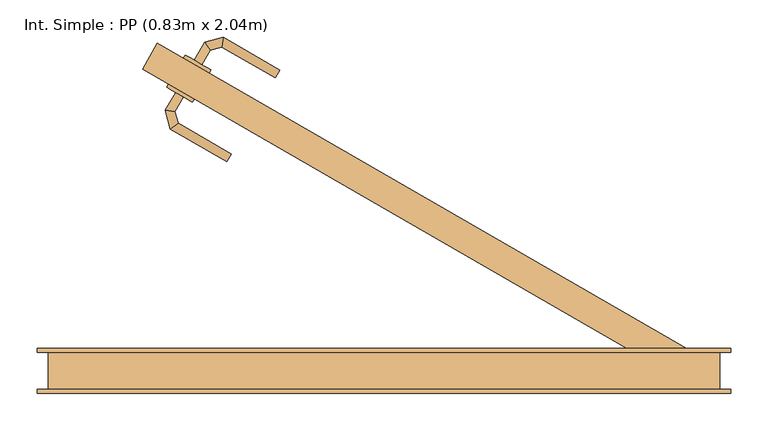
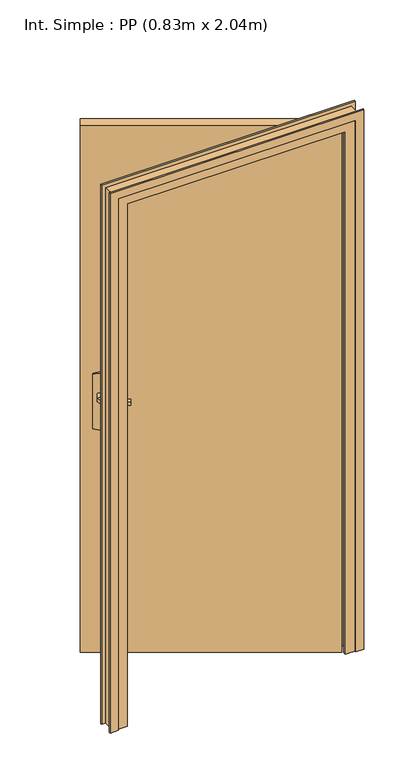
"""IFC4 building model written with IfcOpenShell, lengths in millimetres: door geometry, Int. Simple : PP (0.83m x 2.04m)."""

from ifc_helpers import new_model, si_unit, point, frame, frame_2d, origin, origin_with_axes, place, context, project, spatial, polyline, circle_curve, ellipse_curve, trimmed, segment, composite_curve, outline, extrude, faceted_brep, source, transform, mapped, element, save
from ifc_brep_helpers import plane_surface, cylinder_surface, advanced_brep


def int_simple_pp_0_83m_x_2_04m_fe77d8a1(model_context):
    return source(origin(), model_context, "Body", "SolidModel", [
        extrude(outline(composite_curve([segment(trimmed(circle_curve(frame_2d((0.0, 40.0)), 40.0), [point((34.6410162, 60.0))], [point((34.6410162, 19.9999999))], False, "CARTESIAN"), True, "CONTINUOUS"), segment(polyline([(34.6410162, 19.9999999), (-175.3589838, 19.9999999)]), True, "CONTINUOUS"), segment(trimmed(circle_curve(frame_2d((-140.7179676, 40.0)), 40.0), [point((-175.3589838, 19.9999999))], [point((-175.3589838, 60.0))], False, "CARTESIAN"), True, "CONTINUOUS"), segment(polyline([(-175.3589838, 60.0), (34.6410162, 60.0)]), True, "CONTINUOUS")], self_intersect=False)), frame((-252.1985448, 390.0, 904.6410162), z_axis=(0.5, 0.8660254037844387, 0.0), x_axis=(0.0, 0.0, -1.0)), (0.0, 0.0, 1.0), 5.0),
        extrude(outline(composite_curve([segment(trimmed(circle_curve(frame_2d((0.0, 40.0)), 40.0), [point((-34.6410162, 19.9999999))], [point((-34.6410162, 60.0))], False, "CARTESIAN"), True, "CONTINUOUS"), segment(polyline([(-34.6410162, 60.0), (175.3589838, 60.0)]), True, "CONTINUOUS"), segment(trimmed(circle_curve(frame_2d((140.7179676, 40.0)), 40.0), [point((175.3589838, 60.0))], [point((175.3589838, 19.9999999))], False, "CARTESIAN"), True, "CONTINUOUS"), segment(polyline([(175.3589838, 19.9999999), (-34.6410162, 19.9999999)]), True, "CONTINUOUS")], self_intersect=False)), frame((-274.6985448, 351.0288568, 1045.3589838), z_axis=(0.5, 0.8660254037844387, 0.0), x_axis=(0.0, 0.0, -1.0)), (0.0, 0.0, 1.0), 5.0),
        advanced_brep(
        [(-289.5357133, 417.330127, 1007.0), (-289.5357133, 417.330127, 993.0), (-279.1434085, 411.330127, 993.0), (-279.1434085, 411.330127, 1007.0), (-267.8032145, 430.9719192, 1007.0), (-275.710238, 441.2765528, 1007.0), (-267.8032145, 430.9719192, 993.0), (-275.710238, 441.2765528, 993.0), (-252.3018687, 435.1254922, 1007.0), (-250.6065023, 448.0030785, 1007.0), (-252.3018687, 435.1254922, 993.0), (-250.6065023, 448.0030785, 993.0), (-174.706797, 404.1823632, 1007.0), (-180.706797, 393.7900583, 1007.0), (-180.706797, 393.7900583, 993.0), (-174.706797, 404.1823632, 993.0)],
        [
            (0, 1),
            (1, 2, circle_curve(frame((-284.3395609, 414.330127, 1013.0457722), z_axis=(-0.5000000000000028, -0.866025403784437, 0.0), x_axis=(0.866025403784437, -0.5000000000000028, 0.0)), 20.9244589)),
            (2, 3),
            (3, 0, circle_curve(frame((-284.3395609, 414.330127, 986.9542278), z_axis=(-0.5000000000000028, -0.866025403784437, 0.0), x_axis=(0.866025403784437, -0.5000000000000028, 0.0)), 20.9244589)),
            (3, 4),
            (4, 5, ellipse_curve(frame((-271.7567263, 436.124236, 986.9542278), z_axis=(-0.7933533402912499, -0.6087614290087013, 0.0), x_axis=(0.6087614290087014, -0.7933533402912498, 0.0)), 22.6484711, 20.9244589)),
            (5, 0),
            (2, 6),
            (6, 4),
            (1, 7),
            (7, 6, ellipse_curve(frame((-271.7567263, 436.124236, 1013.0457722), z_axis=(-0.7933533402912499, -0.6087614290087013, 0.0), x_axis=(0.6087614290087014, -0.7933533402912498, 0.0)), 22.6484711, 20.9244589)),
            (5, 7),
            (4, 8),
            (8, 9, ellipse_curve(frame((-251.4541855, 441.5642854, 986.9542278), z_axis=(-0.9914448613738073, 0.13052619222007575, 0.0), x_axis=(-0.13052619222007555, -0.9914448613738074, 0.0)), 22.6484711, 20.9244589)),
            (9, 5),
            (6, 10),
            (10, 8),
            (7, 11),
            (11, 10, ellipse_curve(frame((-251.4541855, 441.5642854, 1013.0457722), z_axis=(-0.9914448613738073, 0.13052619222007575, 0.0), x_axis=(-0.13052619222007555, -0.9914448613738074, 0.0)), 22.6484711, 20.9244589)),
            (9, 11),
            (12, 13, circle_curve(frame((-177.706797, 398.9862107, 986.9542278), z_axis=(0.8660254037844369, -0.500000000000003, 0.0), x_axis=(-0.500000000000003, -0.8660254037844369, 0.0)), 20.9244589)),
            (13, 14),
            (14, 15, circle_curve(frame((-177.706797, 398.9862107, 1013.0457722), z_axis=(0.8660254037844369, -0.500000000000003, 0.0), x_axis=(-0.500000000000003, -0.8660254037844369, 0.0)), 20.9244589)),
            (15, 12),
            (8, 13),
            (12, 9),
            (10, 14),
            (11, 15),
        ],
        [
            plane_surface(frame((-292.3239206, 418.9398992, 1000.0), z_axis=(-0.5000000000000028, -0.866025403784437, 0.0), x_axis=(0.0, 0.0, -1.0))),
            cylinder_surface(frame((-284.3395609, 414.330127, 986.9542278), z_axis=(-0.5000000000000028, -0.866025403784437, 0.0), x_axis=(0.866025403784437, -0.5000000000000028, 0.0)), 20.9244589),
            plane_surface(frame((-279.1434085, 411.330127, 1007.0), z_axis=(0.866025403784437, -0.5000000000000028, 0.0), x_axis=(0.5000000000000028, 0.866025403784437, 0.0))),
            cylinder_surface(frame((-284.3395609, 414.330127, 1013.0457722), z_axis=(-0.5000000000000028, -0.866025403784437, 0.0), x_axis=(0.866025403784437, -0.5000000000000028, 0.0)), 20.9244589),
            plane_surface(frame((-289.5357133, 417.330127, 993.0), z_axis=(-0.866025403784437, 0.5000000000000028, 0.0), x_axis=(0.5000000000000028, 0.866025403784437, 0.0))),
            cylinder_surface(frame((-271.7567263, 436.124236, 986.9542278), z_axis=(-0.96592582628908, -0.25881904510247705, 0.0), x_axis=(0.25881904510247705, -0.96592582628908, 0.0)), 20.9244589),
            plane_surface(frame((-267.8032145, 430.9719192, 1007.0), z_axis=(0.258819045102477, -0.96592582628908, 0.0), x_axis=(0.96592582628908, 0.258819045102477, 0.0))),
            cylinder_surface(frame((-271.7567263, 436.124236, 1013.0457722), z_axis=(-0.96592582628908, -0.25881904510247705, 0.0), x_axis=(0.25881904510247705, -0.96592582628908, 0.0)), 20.9244589),
            plane_surface(frame((-275.710238, 441.2765528, 993.0), z_axis=(-0.258819045102477, 0.96592582628908, 0.0), x_axis=(0.96592582628908, 0.258819045102477, 0.0))),
            plane_surface(frame((-177.706797, 398.9862107, 990.7804555), z_axis=(0.866025403784437, -0.5000000000000028, 0.0), x_axis=(-0.5000000000000028, -0.866025403784437, 0.0))),
            cylinder_surface(frame((-251.4541855, 441.5642854, 986.9542278), z_axis=(-0.8660254037844369, 0.500000000000003, 0.0), x_axis=(-0.500000000000003, -0.8660254037844369, 0.0)), 20.9244589),
            plane_surface(frame((-252.3018687, 435.1254922, 1007.0), z_axis=(-0.5000000000000028, -0.866025403784437, 0.0), x_axis=(0.866025403784437, -0.5000000000000028, 0.0))),
            cylinder_surface(frame((-251.4541855, 441.5642854, 1013.0457722), z_axis=(-0.8660254037844369, 0.500000000000003, 0.0), x_axis=(-0.500000000000003, -0.8660254037844369, 0.0)), 20.9244589),
            plane_surface(frame((-250.6065023, 448.0030785, 993.0), z_axis=(0.5000000000000028, 0.866025403784437, 0.0), x_axis=(0.866025403784437, -0.5000000000000028, 0.0))),
        ],
        [
            (0, [[1, 2, 3, 4]]),
            (1, [[5, 6, 7, -4]]),
            (2, [[8, 9, -5, -3]]),
            (3, [[10, 11, -8, -2]]),
            (4, [[-7, 12, -10, -1]]),
            (5, [[13, 14, 15, -6]]),
            (6, [[16, 17, -13, -9]]),
            (7, [[18, 19, -16, -11]]),
            (8, [[-15, 20, -18, -12]]),
            (9, [[21, 22, 23, 24]]),
            (10, [[25, -21, 26, -14]]),
            (11, [[27, -22, -25, -17]]),
            (12, [[28, -23, -27, -19]]),
            (13, [[-26, -24, -28, -20]]),
        ],
    ),
        advanced_brep(
        [(-304.1434085, 368.0288568, 993.0), (-314.5357133, 374.0288568, 993.0), (-314.5357133, 374.0288568, 1007.0), (-304.1434085, 368.0288568, 1007.0), (-315.3860107, 348.5560985, 1007.0), (-315.3860107, 348.5560985, 993.0), (-328.263597, 350.2514649, 1007.0), (-328.263597, 350.2514649, 993.0), (-311.182106, 332.8669124, 1007.0), (-311.182106, 332.8669124, 993.0), (-321.4867396, 324.9598889, 1007.0), (-321.4867396, 324.9598889, 993.0), (-239.6826137, 291.5866612, 993.0), (-239.6826137, 291.5866612, 1007.0), (-245.6826137, 281.1943564, 1007.0), (-245.6826137, 281.1943564, 993.0)],
        [
            (0, 1, circle_curve(frame((-309.3395609, 371.0288568, 1013.0457722), z_axis=(0.5000000000000028, 0.866025403784437, 0.0), x_axis=(-0.866025403784437, 0.5000000000000028, 0.0)), 20.9244589)),
            (1, 2),
            (2, 3, circle_curve(frame((-309.3395609, 371.0288568, 986.9542278), z_axis=(0.5000000000000028, 0.866025403784437, 0.0), x_axis=(-0.866025403784437, 0.5000000000000028, 0.0)), 20.9244589)),
            (3, 0),
            (3, 4),
            (4, 5),
            (5, 0),
            (2, 6),
            (6, 4, ellipse_curve(frame((-321.8248039, 349.4037817, 986.9542278), z_axis=(0.13052619222003425, 0.9914448613738126, 0.0), x_axis=(0.9914448613738128, -0.13052619222003373, 0.0)), 22.6484711, 20.9244589)),
            (1, 7),
            (7, 6),
            (5, 7, ellipse_curve(frame((-321.8248039, 349.4037817, 1013.0457722), z_axis=(0.13052619222003425, 0.9914448613738126, 0.0), x_axis=(0.9914448613738128, -0.13052619222003373, 0.0)), 22.6484711, 20.9244589)),
            (4, 8),
            (8, 9),
            (9, 5),
            (6, 10),
            (10, 8, ellipse_curve(frame((-316.3344228, 328.9134007, 986.9542278), z_axis=(-0.6087614290087345, 0.7933533402912245, 0.0), x_axis=(0.7933533402912246, 0.6087614290087342, 0.0)), 22.6484711, 20.9244589)),
            (7, 11),
            (11, 10),
            (9, 11, ellipse_curve(frame((-316.3344228, 328.9134007, 1013.0457722), z_axis=(-0.6087614290087345, 0.7933533402912245, 0.0), x_axis=(0.7933533402912246, 0.6087614290087342, 0.0)), 22.6484711, 20.9244589)),
            (12, 13),
            (13, 14, circle_curve(frame((-242.6826137, 286.3905088, 986.9542278), z_axis=(0.866025403784437, -0.5000000000000028, 0.0), x_axis=(-0.5000000000000028, -0.866025403784437, 0.0)), 20.9244589)),
            (14, 15),
            (15, 12, circle_curve(frame((-242.6826137, 286.3905088, 1013.0457722), z_axis=(0.866025403784437, -0.5000000000000028, 0.0), x_axis=(-0.5000000000000028, -0.866025403784437, 0.0)), 20.9244589)),
            (8, 13),
            (12, 9),
            (10, 14),
            (11, 15),
        ],
        [
            plane_surface(frame((-317.3239206, 375.6386291, 1000.0), z_axis=(0.5000000000000028, 0.866025403784437, 0.0), x_axis=(0.0, 0.0, 1.0))),
            plane_surface(frame((-304.1434085, 368.0288568, 993.0), z_axis=(0.866025403784437, -0.5000000000000028, 0.0), x_axis=(-0.5000000000000028, -0.866025403784437, 0.0))),
            cylinder_surface(frame((-309.3395609, 371.0288568, 986.9542278), z_axis=(0.5000000000000028, 0.866025403784437, 0.0), x_axis=(-0.866025403784437, 0.5000000000000028, 0.0)), 20.9244589),
            plane_surface(frame((-314.5357133, 374.0288568, 1007.0), z_axis=(-0.866025403784437, 0.5000000000000028, 0.0), x_axis=(-0.5000000000000028, -0.866025403784437, 0.0))),
            cylinder_surface(frame((-309.3395609, 371.0288568, 1013.0457722), z_axis=(0.5000000000000028, 0.866025403784437, 0.0), x_axis=(-0.866025403784437, 0.5000000000000028, 0.0)), 20.9244589),
            plane_surface(frame((-315.3860107, 348.5560985, 993.0), z_axis=(0.9659258262890584, 0.2588190451025576, 0.0), x_axis=(0.2588190451025576, -0.9659258262890584, 0.0))),
            cylinder_surface(frame((-321.8248039, 349.4037817, 986.9542278), z_axis=(-0.2588190451025576, 0.9659258262890584, 0.0), x_axis=(-0.9659258262890584, -0.2588190451025576, 0.0)), 20.9244589),
            plane_surface(frame((-328.263597, 350.2514649, 1007.0), z_axis=(-0.9659258262890584, -0.25881904510255754, 0.0), x_axis=(0.25881904510255754, -0.9659258262890584, 0.0))),
            cylinder_surface(frame((-321.8248039, 349.4037817, 1013.0457722), z_axis=(-0.2588190451025576, 0.9659258262890584, 0.0), x_axis=(-0.9659258262890584, -0.2588190451025576, 0.0)), 20.9244589),
            plane_surface(frame((-242.6826137, 286.3905088, 990.7804555), z_axis=(0.866025403784437, -0.5000000000000028, 0.0), x_axis=(-0.5000000000000028, -0.866025403784437, 0.0))),
            plane_surface(frame((-311.182106, 332.8669124, 993.0), z_axis=(0.5000000000000028, 0.866025403784437, 0.0), x_axis=(0.866025403784437, -0.5000000000000028, 0.0))),
            cylinder_surface(frame((-316.3344228, 328.9134007, 986.9542278), z_axis=(-0.866025403784437, 0.5000000000000028, 0.0), x_axis=(-0.5000000000000028, -0.866025403784437, 0.0)), 20.9244589),
            plane_surface(frame((-321.4867396, 324.9598889, 1007.0), z_axis=(-0.5000000000000028, -0.866025403784437, 0.0), x_axis=(0.866025403784437, -0.5000000000000028, 0.0))),
            cylinder_surface(frame((-316.3344228, 328.9134007, 1013.0457722), z_axis=(-0.866025403784437, 0.5000000000000028, 0.0), x_axis=(-0.5000000000000028, -0.866025403784437, 0.0)), 20.9244589),
        ],
        [
            (0, [[1, 2, 3, 4]]),
            (1, [[5, 6, 7, -4]]),
            (2, [[8, 9, -5, -3]]),
            (3, [[10, 11, -8, -2]]),
            (4, [[-7, 12, -10, -1]]),
            (5, [[13, 14, 15, -6]]),
            (6, [[16, 17, -13, -9]]),
            (7, [[18, 19, -16, -11]]),
            (8, [[-15, 20, -18, -12]]),
            (9, [[21, 22, 23, 24]]),
            (10, [[25, -21, 26, -14]]),
            (11, [[27, -22, -25, -17]]),
            (12, [[28, -23, -27, -19]]),
            (13, [[-26, -24, -28, -20]]),
        ],
    ),
        extrude(outline(polyline([(-358.8010851, 405.3589838), (-338.8010851, 440.0), (380.0, 25.0), (360.0, -9.6410162), (-358.8010851, 405.3589838)])), origin_with_axes(), (0.0, 0.0, 1.0), 2040.0),
        faceted_brep([(-485.0, 25.0, 0.0), (-450.0, 25.0, 0.0), (-450.0, -15.0, 0.0), (-435.0, -15.0, 0.0), (-435.0, -25.0, 0.0), (-485.0, -25.0, 0.0), (-485.0, -25.0, 2075.0), (-485.0, 25.0, 2075.0), (-435.0, -25.0, 2025.0), (365.0, -25.0, 2025.0), (365.0, -25.0, 0.0), (415.0, -25.0, 0.0), (415.0, -25.0, 2075.0), (-435.0, -15.0, 2025.0), (-450.0, -15.0, 2040.0), (380.0, -15.0, 2040.0), (380.0, -15.0, 0.0), (365.0, -15.0, 0.0), (365.0, -15.0, 2025.0), (-450.0, 25.0, 2040.0), (415.0, 25.0, 2075.0), (415.0, 25.0, 0.0), (380.0, 25.0, 0.0), (380.0, 25.0, 2040.0)], [[[0, 1, 2, 3, 4, 5]], [[5, 6, 7, 0]], [[4, 8, 9, 10, 11, 12, 6, 5]], [[3, 13, 8, 4]], [[2, 14, 15, 16, 17, 18, 13, 3]], [[1, 19, 14, 2]], [[0, 7, 20, 21, 22, 23, 19, 1]], [[12, 11, 21, 20]], [[21, 11, 10, 17, 16, 22]], [[18, 17, 10, 9]], [[23, 22, 16, 15]], [[6, 12, 20, 7]], [[13, 18, 9, 8]], [[19, 23, 15, 14]]]),
        extrude(outline(polyline([(0.0, -470.0), (2060.0, -470.0), (2060.0, 400.0), (0.0, 400.0), (0.0, 430.0), (2090.0, 430.0), (2090.0, -500.0), (0.0, -500.0), (0.0, -470.0)])), frame((0.0, 25.0, 0.0), z_axis=(0.0, 1.0, 0.0), x_axis=(0.0, 0.0, 1.0)), (0.0, 0.0, 1.0), 5.0),
        extrude(outline(polyline([(0.0, -470.0), (2060.0, -470.0), (2060.0, 400.0), (0.0, 400.0), (0.0, 430.0), (2090.0, 430.0), (2090.0, -500.0), (0.0, -500.0), (0.0, -470.0)])), frame((0.0, -30.0, 0.0), z_axis=(0.0, 1.0, 0.0), x_axis=(0.0, 0.0, 1.0)), (0.0, 0.0, 1.0), 5.0),
    ])


if __name__ == "__main__":
    model = new_model("IFC4")
    model_context = context("Model", 3, world=origin())
    ifc_project = project(units=[si_unit("LENGTHUNIT", "METRE", prefix="MILLI")], contexts=[model_context])
    site = spatial("IfcSite", under=ifc_project)
    building = spatial("IfcBuilding", under=site)
    placement = place(None, origin())
    int_simple_pp_0_83m_x_2_04m_shape = int_simple_pp_0_83m_x_2_04m_fe77d8a1(model_context)
    element("IfcDoor", 1, ObjectType="Int. Simple : PP (0.83m x 2.04m)", at=placement, inside=building, context=model_context, shape_type="MappedRepresentation", body=[
        mapped(int_simple_pp_0_83m_x_2_04m_shape, transform((0.0, 0.0, 0.0), x_axis=(1.0, 0.0, 0.0), y_axis=(0.0, 1.0, 0.0), z_axis=(0.0, 0.0, 1.0))),
    ])
    save(model, "model.ifc")
